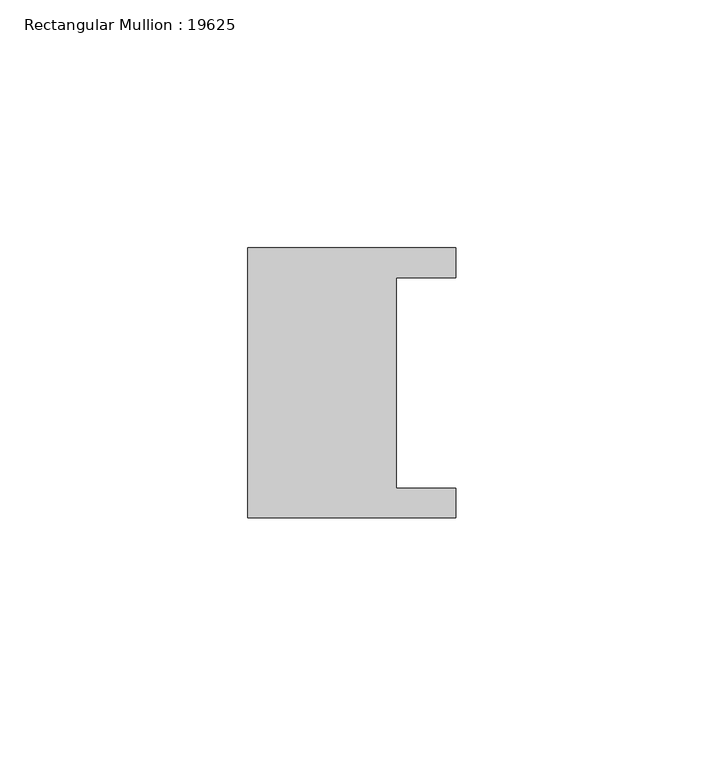
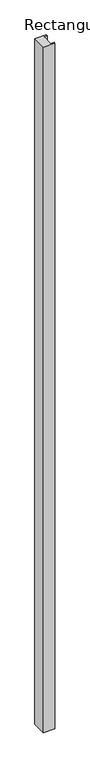
"""IFC4 building model written with IfcOpenShell, lengths in millimetres: member geometry, Rectangular Mullion : 19625."""

from ifc_helpers import new_model, si_unit, frame, origin, place, context, project, spatial, polyline, outline, extrude, source, transform, mapped, element, save


def rectangular_mullion_19625_9bd9c9d6(model_context):
    return source(origin(), model_context, "Body", "SweptSolid", [
        extrude(outline(polyline([(-42.0, -27.25), (-42.0, 27.25), (0.0, 27.25), (0.0, 21.25), (-12.0, 21.25), (-12.0, -21.25), (0.0, -21.25), (0.0, -27.25), (-42.0, -27.25)])), frame((0.0, 0.0, -2658.0), z_axis=(0.0, 0.0, 1.0), x_axis=(1.0, 0.0, 0.0)), (0.0, 0.0, 1.0), 2658.0),
    ])


if __name__ == "__main__":
    model = new_model("IFC4")
    model_context = context("Model", 3, world=origin())
    ifc_project = project(units=[si_unit("LENGTHUNIT", "METRE", prefix="MILLI")], contexts=[model_context])
    site = spatial("IfcSite", under=ifc_project)
    building = spatial("IfcBuilding", under=site)
    placement = place(None, origin())
    rectangular_mullion_19625_shape = rectangular_mullion_19625_9bd9c9d6(model_context)
    element("IfcMember", 1, ObjectType="Rectangular Mullion : 19625", at=placement, inside=building, context=model_context, shape_type="MappedRepresentation", body=[
        mapped(rectangular_mullion_19625_shape, transform((0.0, 0.0, 0.0), x_axis=(1.0, 0.0, 0.0), y_axis=(0.0, 1.0, 0.0), z_axis=(0.0, 0.0, 1.0))),
    ])
    save(model, "model.ifc")
